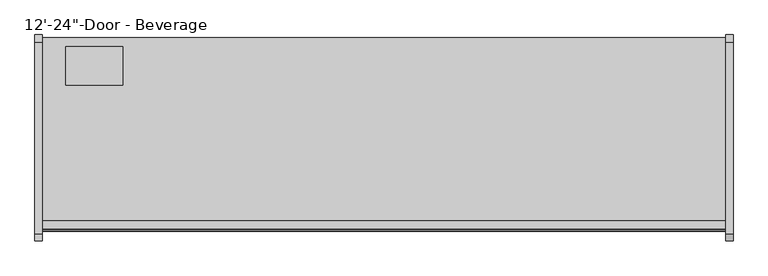
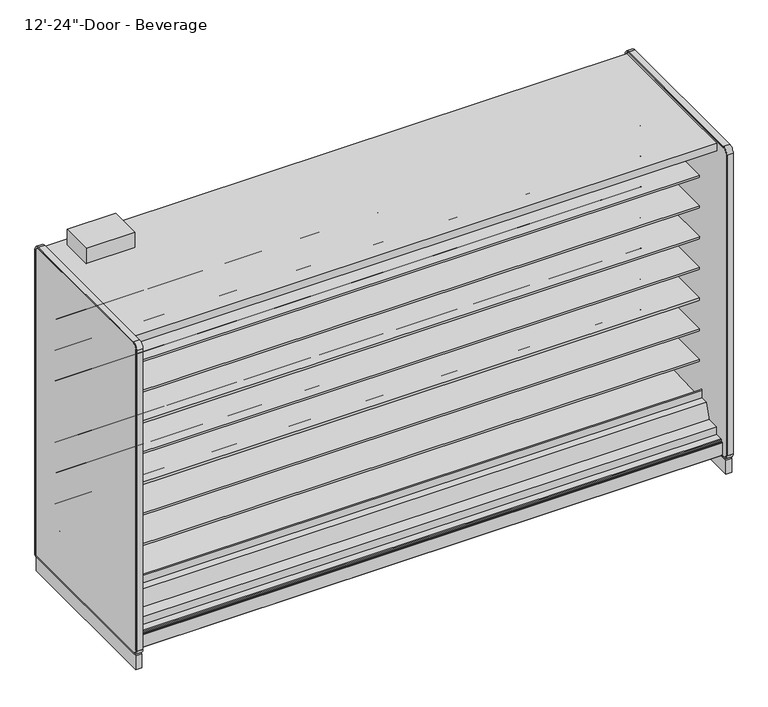
"""IFC4 building model written with IfcOpenShell, lengths in millimetres: proxy geometry."""

from ifc_helpers import new_model, si_unit, point, frame, frame_2d, origin, origin_with_axes, place, context, project, spatial, polyline, circle_curve, trimmed, segment, composite_curve, outline, extrude, source, transform, mapped, element, save
from ifc_brep_helpers import plane_surface, cylinder_surface, revolved_surface, advanced_brep


def proxy_10bc0063(model_context):
    return source(origin(), model_context, "Body", "SolidModel", [
        extrude(outline(composite_curve([segment(polyline([(-454.7591365, 587.0133455), (-454.7591365, 512.2441036), (-474.271416, 511.9123192)]), True, "CONTINUOUS"), segment(trimmed(circle_curve(frame_2d((-474.703252, 537.308648)), 25.4), [point((-474.271416, 511.9123192))], [point((-490.6806083, 517.5631653))], False, "CARTESIAN"), True, "CONTINUOUS"), segment(polyline([(-490.6806083, 517.5631653), (-508.5326694, 532.0084308)]), True, "CONTINUOUS"), segment(trimmed(circle_curve(frame_2d((-548.4760601, 482.6447241)), 63.5), [point((-508.5326694, 532.0084308))], [point((-540.5781788, 545.651656))], True, "CARTESIAN"), True, "CONTINUOUS"), segment(polyline([(-540.5781788, 545.651656), (-882.0268465, 569.3487934), (-883.515623, 572.7893455), (-1140.5591365, 572.7893455), (-1140.5591365, 587.0133455), (-454.7591365, 587.0133455)]), True, "CONTINUOUS")], self_intersect=False)), frame((0.0, 0.0, 0.0), z_axis=(1.0, 0.0, 0.0), x_axis=(0.0, 1.0, 0.0)), (0.0, 0.0, 1.0), 3657.6),
        extrude(outline(composite_curve([segment(polyline([(-454.7591365, 790.2133624), (-454.7591365, 715.4441204), (-474.271416, 715.112336)]), True, "CONTINUOUS"), segment(trimmed(circle_curve(frame_2d((-474.703252, 740.5086648)), 25.4), [point((-474.271416, 715.112336))], [point((-490.6806083, 720.7631821))], False, "CARTESIAN"), True, "CONTINUOUS"), segment(polyline([(-490.6806083, 720.7631821), (-508.5326694, 735.2084477)]), True, "CONTINUOUS"), segment(trimmed(circle_curve(frame_2d((-548.4760601, 685.8447409)), 63.5), [point((-508.5326694, 735.2084477))], [point((-540.5781788, 748.8516729))], True, "CARTESIAN"), True, "CONTINUOUS"), segment(polyline([(-540.5781788, 748.8516729), (-882.0268465, 772.5488103), (-883.515623, 775.9893624), (-1140.5591365, 775.9893624), (-1140.5591365, 790.2133624), (-454.7591365, 790.2133624)]), True, "CONTINUOUS")], self_intersect=False)), frame((0.0, 0.0, 0.0), z_axis=(1.0, 0.0, 0.0), x_axis=(0.0, 1.0, 0.0)), (0.0, 0.0, 1.0), 3657.6),
        extrude(outline(composite_curve([segment(polyline([(-454.7591365, 993.4133793), (-454.7591365, 918.6441373), (-474.271416, 918.3123529)]), True, "CONTINUOUS"), segment(trimmed(circle_curve(frame_2d((-474.703252, 943.7086817)), 25.4), [point((-474.271416, 918.3123529))], [point((-490.6806083, 923.963199))], False, "CARTESIAN"), True, "CONTINUOUS"), segment(polyline([(-490.6806083, 923.963199), (-508.5326694, 938.4084646)]), True, "CONTINUOUS"), segment(trimmed(circle_curve(frame_2d((-548.4760601, 889.0447578)), 63.5), [point((-508.5326694, 938.4084646))], [point((-540.5781788, 952.0516897))], True, "CARTESIAN"), True, "CONTINUOUS"), segment(polyline([(-540.5781788, 952.0516897), (-882.0268465, 975.7488272), (-883.515623, 979.1893793), (-1140.5591365, 979.1893793), (-1140.5591365, 993.4133793), (-454.7591365, 993.4133793)]), True, "CONTINUOUS")], self_intersect=False)), frame((0.0, 0.0, 0.0), z_axis=(1.0, 0.0, 0.0), x_axis=(0.0, 1.0, 0.0)), (0.0, 0.0, 1.0), 3657.6),
        extrude(outline(composite_curve([segment(polyline([(-454.7591365, 1196.6133961), (-454.7591365, 1121.8441542), (-474.271416, 1121.5123698)]), True, "CONTINUOUS"), segment(trimmed(circle_curve(frame_2d((-474.703252, 1146.9086986)), 25.4), [point((-474.271416, 1121.5123698))], [point((-490.6806083, 1127.1632159))], False, "CARTESIAN"), True, "CONTINUOUS"), segment(polyline([(-490.6806083, 1127.1632159), (-508.5326694, 1141.6084814)]), True, "CONTINUOUS"), segment(trimmed(circle_curve(frame_2d((-548.4760601, 1092.2447747)), 63.5), [point((-508.5326694, 1141.6084814))], [point((-540.5781788, 1155.2517066))], True, "CARTESIAN"), True, "CONTINUOUS"), segment(polyline([(-540.5781788, 1155.2517066), (-882.0268465, 1178.948844), (-883.515623, 1182.3893961), (-1140.5591365, 1182.3893961), (-1140.5591365, 1196.6133961), (-454.7591365, 1196.6133961)]), True, "CONTINUOUS")], self_intersect=False)), frame((0.0, 0.0, 0.0), z_axis=(1.0, 0.0, 0.0), x_axis=(0.0, 1.0, 0.0)), (0.0, 0.0, 1.0), 3657.6),
        extrude(outline(composite_curve([segment(polyline([(-454.7591365, 1399.813413), (-454.7591365, 1325.044171), (-474.271416, 1324.7123866)]), True, "CONTINUOUS"), segment(trimmed(circle_curve(frame_2d((-474.703252, 1350.1087155)), 25.4), [point((-474.271416, 1324.7123866))], [point((-490.6806083, 1330.3632328))], False, "CARTESIAN"), True, "CONTINUOUS"), segment(polyline([(-490.6806083, 1330.3632328), (-508.5326694, 1344.8084983)]), True, "CONTINUOUS"), segment(trimmed(circle_curve(frame_2d((-548.4760601, 1295.4447915)), 63.5), [point((-508.5326694, 1344.8084983))], [point((-540.5781788, 1358.4517235))], True, "CARTESIAN"), True, "CONTINUOUS"), segment(polyline([(-540.5781788, 1358.4517235), (-882.0268465, 1382.1488609), (-883.515623, 1385.589413), (-1140.5591365, 1385.589413), (-1140.5591365, 1399.813413), (-454.7591365, 1399.813413)]), True, "CONTINUOUS")], self_intersect=False)), frame((0.0, 0.0, 0.0), z_axis=(1.0, 0.0, 0.0), x_axis=(0.0, 1.0, 0.0)), (0.0, 0.0, 1.0), 3657.6),
        extrude(outline(composite_curve([segment(polyline([(-454.7591365, 1603.0134299), (-454.7591365, 1528.2441879), (-474.271416, 1527.9124035)]), True, "CONTINUOUS"), segment(trimmed(circle_curve(frame_2d((-474.703252, 1553.3087323)), 25.4), [point((-474.271416, 1527.9124035))], [point((-490.6806083, 1533.5632496))], False, "CARTESIAN"), True, "CONTINUOUS"), segment(polyline([(-490.6806083, 1533.5632496), (-508.5326694, 1548.0085152)]), True, "CONTINUOUS"), segment(trimmed(circle_curve(frame_2d((-548.4760601, 1498.6448084)), 63.5), [point((-508.5326694, 1548.0085152))], [point((-540.5781788, 1561.6517403))], True, "CARTESIAN"), True, "CONTINUOUS"), segment(polyline([(-540.5781788, 1561.6517403), (-882.0268465, 1585.3488778), (-883.515623, 1588.7894299), (-1140.5591365, 1588.7894299), (-1140.5591365, 1603.0134299), (-454.7591365, 1603.0134299)]), True, "CONTINUOUS")], self_intersect=False)), frame((0.0, 0.0, 0.0), z_axis=(1.0, 0.0, 0.0), x_axis=(0.0, 1.0, 0.0)), (0.0, 0.0, 1.0), 3657.6),
        extrude(outline(composite_curve([segment(polyline([(-454.7591365, 1806.2134975), (-454.7591365, 1731.4442556), (-474.271416, 1731.1124712)]), True, "CONTINUOUS"), segment(trimmed(circle_curve(frame_2d((-474.703252, 1756.5088)), 25.4), [point((-474.271416, 1731.1124712))], [point((-490.6806083, 1736.7633173))], False, "CARTESIAN"), True, "CONTINUOUS"), segment(polyline([(-490.6806083, 1736.7633173), (-508.5326694, 1751.2085828)]), True, "CONTINUOUS"), segment(trimmed(circle_curve(frame_2d((-548.4760601, 1701.8448761)), 63.5), [point((-508.5326694, 1751.2085828))], [point((-540.5781788, 1764.851808))], True, "CARTESIAN"), True, "CONTINUOUS"), segment(polyline([(-540.5781788, 1764.851808), (-882.0268465, 1788.5489454), (-883.515623, 1791.9894975), (-1140.5591365, 1791.9894975), (-1140.5591365, 1806.2134975), (-454.7591365, 1806.2134975)]), True, "CONTINUOUS")], self_intersect=False)), frame((0.0, 0.0, 0.0), z_axis=(1.0, 0.0, 0.0), x_axis=(0.0, 1.0, 0.0)), (0.0, 0.0, 1.0), 3657.6),
        extrude(outline(polyline([(0.0, -1311.974344), (0.0, -1337.374344), (-2.5796875, -1337.374344), (-2.5796875, -1311.974344), (0.0, -1311.974344)])), frame((0.0, 0.0, 252.8737805), z_axis=(0.0, 0.0, 1.0), x_axis=(1.0, 0.0, 0.0)), (0.0, 0.0, 1.0), 1827.8179128),
        extrude(outline(composite_curve([segment(trimmed(circle_curve(frame_2d((234.95, 3579.6737514)), 12.7), [point((247.65, 3579.6737514))], [point((222.25, 3579.6737514))], False, "CARTESIAN"), True, "CONTINUOUS"), segment(trimmed(circle_curve(frame_2d((234.95, 3579.6737514)), 12.7), [point((222.25, 3579.6737514))], [point((247.65, 3579.6737514))], False, "CARTESIAN"), True, "CONTINUOUS")], self_intersect=False)), frame((0.0, -399.5252577, 0.0), z_axis=(0.0, 1.0, 0.0), x_axis=(0.0, 0.0, 1.0)), (0.0, 0.0, 1.0), 50.5181304),
        extrude(outline(composite_curve([segment(trimmed(circle_curve(frame_2d((234.95, 3533.6472509)), 9.525), [point((244.475, 3533.6472509))], [point((225.425, 3533.6472509))], False, "CARTESIAN"), True, "CONTINUOUS"), segment(trimmed(circle_curve(frame_2d((234.95, 3533.6472509)), 9.525), [point((225.425, 3533.6472509))], [point((244.475, 3533.6472509))], False, "CARTESIAN"), True, "CONTINUOUS")], self_intersect=False)), frame((0.0, -399.5252577, 0.0), z_axis=(0.0, 1.0, 0.0), x_axis=(0.0, 0.0, 1.0)), (0.0, 0.0, 1.0), 50.5181304),
        advanced_brep(
        [(3657.6, -349.0071273, 104.775), (3657.6, -349.0071273, 2130.425), (3657.6, -1329.436844, 2130.425), (3657.6, -1329.436844, 2080.6916932), (3657.6, -403.9576348, 2080.6916932), (3657.6, -403.9576348, 191.9712577), (3657.6, -1233.6520806, 158.2443144), (3657.6, -1324.5178752, 168.8736205), (3657.6, -1324.5178752, 201.2766923), (3657.6, -1373.7502971, 201.2766923), (3657.6, -1376.4137132, 197.8095897), (3657.6, -1376.4137132, 188.9614574), (3657.6, -1385.2191773, 188.9614574), (3657.6, -1386.7939773, 187.3866574), (3657.6, -1386.7939773, 185.7356574), (3657.6, -1387.6575773, 185.7356574), (3657.6, -1387.6575773, 101.7483517), (3657.6, -1384.5102631, 101.0506089), (3657.6, -1382.7735511, 104.775), (0.0, -349.0071273, 104.775), (0.0, -1382.7735511, 104.775), (0.0, -1384.5102631, 101.0506089), (0.0, -1387.6575773, 101.7483517), (0.0, -1387.6575773, 185.7356574), (0.0, -1386.7939773, 185.7356574), (0.0, -1386.7939773, 187.3866574), (0.0, -1385.2191773, 188.9614574), (0.0, -1376.4137132, 188.9614574), (0.0, -1376.4137132, 197.8095897), (0.0, -1373.7502971, 201.2766923), (0.0, -1324.5178752, 201.2766923), (0.0, -1324.5178752, 168.8736205), (0.0, -1233.6520806, 158.2443144), (0.0, -403.9576348, 191.9712577), (0.0, -403.9576348, 2080.6916932), (0.0, -1329.436844, 2080.6916932), (0.0, -1329.436844, 2130.425), (0.0, -349.0071273, 2130.425), (3556.0, -349.0071273, 184.15), (3556.0, -349.0071273, 285.75), (3556.0, -399.5252577, 184.15), (3556.0, -399.5252577, 285.75)],
        [
            (0, 1),
            (1, 2),
            (2, 3),
            (3, 4),
            (4, 5),
            (5, 6),
            (6, 7),
            (7, 8),
            (8, 9),
            (9, 10, circle_curve(frame((3657.6, -1372.3299277, 197.4290047), z_axis=(1.0, 0.0, 0.0), x_axis=(0.0, 1.0, 0.0)), 4.1014814)),
            (10, 11),
            (11, 12),
            (12, 13, circle_curve(frame((3657.6, -1385.2191773, 187.3866574), z_axis=(1.0, 0.0, 0.0), x_axis=(0.0, 1.0, 0.0)), 1.5748)),
            (13, 14),
            (14, 15),
            (15, 16),
            (16, 17, circle_curve(frame((3657.6, -1386.0065773, 101.7483517), z_axis=(1.0, 0.0, 0.0), x_axis=(0.0, 1.0, 0.0)), 1.651)),
            (17, 18),
            (18, 0),
            (19, 20),
            (20, 21),
            (21, 22, circle_curve(frame((0.0, -1386.0065773, 101.7483517), z_axis=(-1.0, 0.0, 0.0), x_axis=(0.0, 1.0, 0.0)), 1.651)),
            (22, 23),
            (23, 24),
            (24, 25),
            (25, 26, circle_curve(frame((0.0, -1385.2191773, 187.3866574), z_axis=(-1.0, 0.0, 0.0), x_axis=(0.0, 1.0, 0.0)), 1.5748)),
            (26, 27),
            (27, 28),
            (28, 29, circle_curve(frame((0.0, -1372.3299277, 197.4290047), z_axis=(-1.0, 0.0, 0.0), x_axis=(0.0, 1.0, 0.0)), 4.1014814)),
            (29, 30),
            (30, 31),
            (31, 32),
            (32, 33),
            (33, 34),
            (34, 35),
            (35, 36),
            (36, 37),
            (37, 19),
            (0, 19),
            (37, 1),
            (38, 39, circle_curve(frame((3556.0, -349.0071273, 234.95), z_axis=(0.0, -1.0, 0.0), x_axis=(0.0, 0.0, 1.0)), 50.8)),
            (39, 38, circle_curve(frame((3556.0, -349.0071273, 234.95), z_axis=(0.0, -1.0, 0.0), x_axis=(0.0, 0.0, 1.0)), 50.8)),
            (18, 20),
            (36, 2),
            (35, 3),
            (34, 4),
            (33, 5),
            (32, 6),
            (31, 7),
            (30, 8),
            (29, 9),
            (28, 10),
            (27, 11),
            (26, 12),
            (25, 13),
            (24, 14),
            (23, 15),
            (22, 16),
            (21, 17),
            (40, 41, circle_curve(frame((3556.0, -399.5252577, 234.95), z_axis=(0.0, 1.0, 0.0), x_axis=(0.0, 0.0, 1.0)), 50.8)),
            (41, 40, circle_curve(frame((3556.0, -399.5252577, 234.95), z_axis=(0.0, 1.0, 0.0), x_axis=(0.0, 0.0, 1.0)), 50.8)),
            (41, 39),
            (38, 40),
        ],
        [
            plane_surface(frame((3657.6, -349.0071273, 2132.8596217), z_axis=(1.0, 0.0, 0.0), x_axis=(0.0, 0.0, 1.0))),
            plane_surface(frame((0.0, -349.0071273, 2132.8596217), z_axis=(-1.0, 0.0, 0.0), x_axis=(0.0, 0.0, -1.0))),
            plane_surface(frame((3657.6, -349.0071273, 104.775), z_axis=(0.0, 1.0, 0.0), x_axis=(-1.0, 0.0, 0.0))),
            plane_surface(frame((3657.6, -1382.7735511, 104.775), z_axis=(0.0, 0.0, -1.0), x_axis=(-1.0, 0.0, 0.0))),
            plane_surface(frame((3657.6, -349.0071273, 2130.425), z_axis=(0.0, 0.0, 1.0), x_axis=(-1.0, 0.0, 0.0))),
            plane_surface(frame((3657.6, -1329.436844, 2130.425), z_axis=(0.0, -1.0, 0.0), x_axis=(-1.0, 0.0, 0.0))),
            plane_surface(frame((3657.6, -1329.436844, 2080.6916932), z_axis=(0.0, 0.0, -1.0), x_axis=(-1.0, 0.0, 0.0))),
            plane_surface(frame((3657.6, -403.9576348, 2080.6916932), z_axis=(0.0, -1.0, 0.0), x_axis=(-1.0, 0.0, 0.0))),
            plane_surface(frame((3657.6, -403.9576348, 191.9712577), z_axis=(0.0, -0.04061629258568852, 0.999174817925569), x_axis=(-1.0, 0.0, 0.0))),
            plane_surface(frame((3657.6, -1233.6520806, 158.2443144), z_axis=(0.0, 0.11618584341211524, 0.9932274914593411), x_axis=(-1.0, 0.0, 0.0))),
            plane_surface(frame((3657.6, -1324.5178752, 168.8736205), z_axis=(0.0, 1.0, 0.0), x_axis=(-1.0, 0.0, 0.0))),
            plane_surface(frame((3657.6, -1324.5178752, 201.2766923), z_axis=(0.0, 0.0, 1.0), x_axis=(-1.0, 0.0, 0.0))),
            cylinder_surface(frame((0.0, -1372.3299277, 197.4290047), z_axis=(1.0, 0.0, 0.0), x_axis=(0.0, 1.0, 0.0)), 4.1014814),
            plane_surface(frame((3657.6, -1376.4137132, 197.8095897), z_axis=(0.0, -1.0, 0.0), x_axis=(-1.0, 0.0, 0.0))),
            plane_surface(frame((3657.6, -1376.4137132, 188.9614574), z_axis=(0.0, 0.0, 1.0), x_axis=(-1.0, 0.0, 0.0))),
            cylinder_surface(frame((0.0, -1385.2191773, 187.3866574), z_axis=(1.0, 0.0, 0.0), x_axis=(0.0, 1.0, 0.0)), 1.5748),
            plane_surface(frame((3657.6, -1386.7939773, 187.3866574), z_axis=(0.0, -1.0, 0.0), x_axis=(-1.0, 0.0, 0.0))),
            plane_surface(frame((3657.6, -1386.7939773, 185.7356574), z_axis=(0.0, 0.0, 1.0), x_axis=(-1.0, 0.0, 0.0))),
            plane_surface(frame((3657.6, -1387.6575773, 185.7356574), z_axis=(0.0, -1.0, 0.0), x_axis=(-1.0, 0.0, 0.0))),
            cylinder_surface(frame((0.0, -1386.0065773, 101.7483517), z_axis=(1.0, 0.0, 0.0), x_axis=(0.0, 1.0, 0.0)), 1.651),
            plane_surface(frame((3657.6, -1384.5102631, 101.0506089), z_axis=(0.0, 0.9063077870366392, -0.4226182617407228), x_axis=(-1.0, 0.0, 0.0))),
            plane_surface(frame((3556.0, -399.5252577, 285.75), z_axis=(0.0, 1.0, 0.0), x_axis=(-1.0, 0.0, 0.0))),
            revolved_surface(polyline([(3556.0, -399.5252577, 285.75), (3556.0, -349.0071273, 285.75)]), (3556.0, -349.0071273, 234.95), (0.0, -1.0, 0.0)),
        ],
        [
            (0, [[1, 2, 3, 4, 5, 6, 7, 8, 9, 10, 11, 12, 13, 14, 15, 16, 17, 18, 19]]),
            (1, [[20, 21, 22, 23, 24, 25, 26, 27, 28, 29, 30, 31, 32, 33, 34, 35, 36, 37, 38]]),
            (2, [[-1, 39, -38, 40], [41, 42]]),
            (3, [[-19, 43, -20, -39]]),
            (4, [[-2, -40, -37, 44]]),
            (5, [[-3, -44, -36, 45]]),
            (6, [[-4, -45, -35, 46]]),
            (7, [[-5, -46, -34, 47]]),
            (8, [[-6, -47, -33, 48]]),
            (9, [[-7, -48, -32, 49]]),
            (10, [[-8, -49, -31, 50]]),
            (11, [[-9, -50, -30, 51]]),
            (12, [[-10, -51, -29, 52]]),
            (13, [[-11, -52, -28, 53]]),
            (14, [[-12, -53, -27, 54]]),
            (15, [[-13, -54, -26, 55]]),
            (16, [[-14, -55, -25, 56]]),
            (17, [[-15, -56, -24, 57]]),
            (18, [[-16, -57, -23, 58]]),
            (19, [[-17, -58, -22, 59]]),
            (20, [[-18, -59, -21, -43]]),
            (21, [[60, 61]]),
            (22, [[-61, 62, -41, 63]]),
            (22, [[-60, -63, -42, -62]]),
        ],
    ),
        extrude(outline(composite_curve([segment(polyline([(-538.5972303, 351.4802626), (-1154.388777, 327.2645134)]), True, "CONTINUOUS"), segment(trimmed(circle_curve(frame_2d((-1154.8189466, 338.2034585)), 10.9474), [point((-1154.388777, 327.2645134))], [point((-1165.7578917, 337.773289))], False, "CARTESIAN"), True, "CONTINUOUS"), segment(polyline([(-1165.7578917, 337.773289), (-1168.1692364, 399.0922948)]), True, "CONTINUOUS"), segment(trimmed(circle_curve(frame_2d((-1164.2860378, 399.245)), 3.8862), [point((-1168.1692364, 399.0922948))], [point((-1160.4028391, 399.3977051))], False, "CARTESIAN"), True, "CONTINUOUS"), segment(polyline([(-1160.4028391, 399.3977051), (-1157.9914945, 338.0786994)]), True, "CONTINUOUS"), segment(trimmed(circle_curve(frame_2d((-1154.8189466, 338.2034585)), 3.175), [point((-1157.9914945, 338.0786994))], [point((-1154.6941874, 335.0309106))], True, "CARTESIAN"), True, "CONTINUOUS"), segment(polyline([(-1154.6941874, 335.0309106), (-531.8538504, 359.5238507)]), True, "CONTINUOUS"), segment(trimmed(circle_curve(frame_2d((-531.6974468, 355.6351883)), 3.8918064), [point((-531.8538504, 359.5238507))], [point((-531.2499972, 351.7691895))], False, "CARTESIAN"), True, "CONTINUOUS"), segment(polyline([(-531.2499972, 351.7691895), (-538.5972303, 351.4802626)]), True, "CONTINUOUS")], self_intersect=False)), frame((0.0, 0.0, 0.0), z_axis=(1.0, 0.0, 0.0), x_axis=(0.0, 1.0, 0.0)), (0.0, 0.0, 1.0), 3657.6),
        extrude(outline(polyline([(-403.9576348, 191.9712577), (-1233.6520806, 158.2443144), (-1324.5178752, 168.8736205), (-1324.5178752, 252.8737805), (-1245.7743426, 252.8737805), (-1214.6387574, 346.8534577), (-1169.1341365, 348.4440826), (-1169.1341365, 325.727789), (-525.3143623, 351.8989573), (-525.3143623, 370.9489573), (-468.1992452, 372.9454299), (-468.1992452, 376.1204299), (-454.7591365, 376.1204299), (-454.7591365, 268.1711844), (-403.9576348, 268.1711844), (-403.9576348, 191.9712577)])), frame((0.0, 0.0, 0.0), z_axis=(1.0, 0.0, 0.0), x_axis=(0.0, 1.0, 0.0)), (0.0, 0.0, 1.0), 3657.6),
        extrude(outline(polyline([(-403.9576348, 268.1711844), (-454.7591365, 268.1711844), (-454.7591365, 2052.6003941), (-1174.1318532, 2052.6003941), (-1284.0733806, 2079.0595231), (-1284.0733806, 2080.6916932), (-403.9576348, 2080.6916932), (-403.9576348, 268.1711844)])), frame((0.0, 0.0, 0.0), z_axis=(1.0, 0.0, 0.0), x_axis=(0.0, 1.0, 0.0)), (0.0, 0.0, 1.0), 3657.6),
        extrude(outline(composite_curve([segment(trimmed(circle_curve(frame_2d((1828.8, -1072.9071273)), 38.1), [point((1790.7, -1072.9071273))], [point((1866.9, -1072.9071273))], False, "CARTESIAN"), True, "CONTINUOUS"), segment(trimmed(circle_curve(frame_2d((1828.8, -1072.9071273)), 38.1), [point((1866.9, -1072.9071273))], [point((1790.7, -1072.9071273))], False, "CARTESIAN"), True, "CONTINUOUS")], self_intersect=False)), frame((0.0, 0.0, -5.8513653), z_axis=(0.0, 0.0, 1.0), x_axis=(1.0, 0.0, 0.0)), (0.0, 0.0, 1.0), 110.6263653),
        extrude(outline(composite_curve([segment(trimmed(circle_curve(frame_2d((3410.8604036, -1069.7321273)), 9.525), [point((3401.3354036, -1069.7321273))], [point((3420.3854036, -1069.7321273))], False, "CARTESIAN"), True, "CONTINUOUS"), segment(trimmed(circle_curve(frame_2d((3410.8604036, -1069.7321273)), 9.525), [point((3420.3854036, -1069.7321273))], [point((3401.3354036, -1069.7321273))], False, "CARTESIAN"), True, "CONTINUOUS")], self_intersect=False)), frame((0.0, 0.0, -5.8513653), z_axis=(0.0, 0.0, 1.0), x_axis=(1.0, 0.0, 0.0)), (0.0, 0.0, 1.0), 110.6263653),
        extrude(outline(composite_curve([segment(trimmed(circle_curve(frame_2d((3455.7868135, -1069.7321273)), 12.7), [point((3443.0868135, -1069.7321273))], [point((3468.4868135, -1069.7321273))], False, "CARTESIAN"), True, "CONTINUOUS"), segment(trimmed(circle_curve(frame_2d((3455.7868135, -1069.7321273)), 12.7), [point((3468.4868135, -1069.7321273))], [point((3443.0868135, -1069.7321273))], False, "CARTESIAN"), True, "CONTINUOUS")], self_intersect=False)), frame((0.0, 0.0, -5.8513653), z_axis=(0.0, 0.0, 1.0), x_axis=(1.0, 0.0, 0.0)), (0.0, 0.0, 1.0), 110.6263653),
        extrude(outline(polyline([(127.0, -603.0071273), (127.0, -397.0385273), (431.8, -397.0385273), (431.8, -603.0071273), (127.0, -603.0071273)])), frame((0.0, 0.0, 2130.425), z_axis=(0.0, 0.0, 1.0), x_axis=(1.0, 0.0, 0.0)), (0.0, 0.0, 1.0), 101.6),
        extrude(outline(composite_curve([segment(polyline([(-1399.9321273, 2155.825), (-372.4698732, 2155.825)]), True, "CONTINUOUS"), segment(trimmed(circle_curve(frame_2d((-372.4698732, 2117.725)), 38.1), [point((-372.4698732, 2155.825))], [point((-334.3698732, 2117.725))], False, "CARTESIAN"), True, "CONTINUOUS"), segment(polyline([(-334.3698732, 2117.725), (-334.3698732, 104.7405759)]), True, "CONTINUOUS"), segment(trimmed(circle_curve(frame_2d((-347.0698732, 104.7405759)), 12.7), [point((-334.3698732, 104.7405759))], [point((-347.0698732, 92.0405759))], False, "CARTESIAN"), True, "CONTINUOUS"), segment(polyline([(-347.0698732, 92.0405759), (-1399.9321273, 92.0405759)]), True, "CONTINUOUS"), segment(trimmed(circle_curve(frame_2d((-1399.9321273, 130.1405759)), 38.1), [point((-1399.9321273, 92.0405759))], [point((-1438.0321273, 130.1405759))], False, "CARTESIAN"), True, "CONTINUOUS"), segment(polyline([(-1438.0321273, 130.1405759), (-1438.0321273, 2117.725)]), True, "CONTINUOUS"), segment(trimmed(circle_curve(frame_2d((-1399.9321273, 2117.725)), 38.1), [point((-1438.0321273, 2117.725))], [point((-1399.9321273, 2155.825))], False, "CARTESIAN"), True, "CONTINUOUS")], self_intersect=False), holes=[composite_curve([segment(polyline([(-1399.9321273, 101.5655759), (-347.0698732, 101.5655759)]), True, "CONTINUOUS"), segment(trimmed(circle_curve(frame_2d((-347.0698732, 104.7405759)), 3.175), [point((-347.0698732, 101.5655759))], [point((-343.8948732, 104.7405759))], True, "CARTESIAN"), True, "CONTINUOUS"), segment(polyline([(-343.8948732, 104.7405759), (-343.8948732, 2117.725)]), True, "CONTINUOUS"), segment(trimmed(circle_curve(frame_2d((-372.4698732, 2117.725)), 28.575), [point((-343.8948732, 2117.725))], [point((-372.4698732, 2146.3))], True, "CARTESIAN"), True, "CONTINUOUS"), segment(polyline([(-372.4698732, 2146.3), (-1399.9321273, 2146.3)]), True, "CONTINUOUS"), segment(trimmed(circle_curve(frame_2d((-1399.9321273, 2117.725)), 28.575), [point((-1399.9321273, 2146.3))], [point((-1428.5071273, 2117.725))], True, "CARTESIAN"), True, "CONTINUOUS"), segment(polyline([(-1428.5071273, 2117.725), (-1428.5071273, 130.1405759)]), True, "CONTINUOUS"), segment(trimmed(circle_curve(frame_2d((-1399.9321273, 130.1405759)), 28.575), [point((-1428.5071273, 130.1405759))], [point((-1399.9321273, 101.5655759))], True, "CARTESIAN"), True, "CONTINUOUS")], self_intersect=False)]), frame((-38.1, 0.0, 0.0), z_axis=(1.0, 0.0, 0.0), x_axis=(0.0, 1.0, 0.0)), (0.0, 0.0, 1.0), 38.1),
        extrude(outline(composite_curve([segment(polyline([(-1399.9321273, 2146.3), (-372.4698732, 2146.3)]), True, "CONTINUOUS"), segment(trimmed(circle_curve(frame_2d((-372.4698732, 2117.725)), 28.575), [point((-372.4698732, 2146.3))], [point((-343.8948732, 2117.725))], False, "CARTESIAN"), True, "CONTINUOUS"), segment(polyline([(-343.8948732, 2117.725), (-343.8948732, 104.7405759)]), True, "CONTINUOUS"), segment(trimmed(circle_curve(frame_2d((-347.0698732, 104.7405759)), 3.175), [point((-343.8948732, 104.7405759))], [point((-347.0698732, 101.5655759))], False, "CARTESIAN"), True, "CONTINUOUS"), segment(polyline([(-347.0698732, 101.5655759), (-1399.9321273, 101.5655759)]), True, "CONTINUOUS"), segment(trimmed(circle_curve(frame_2d((-1399.9321273, 130.1405759)), 28.575), [point((-1399.9321273, 101.5655759))], [point((-1428.5071273, 130.1405759))], False, "CARTESIAN"), True, "CONTINUOUS"), segment(polyline([(-1428.5071273, 130.1405759), (-1428.5071273, 2117.725)]), True, "CONTINUOUS"), segment(trimmed(circle_curve(frame_2d((-1399.9321273, 2117.725)), 28.575), [point((-1428.5071273, 2117.725))], [point((-1399.9321273, 2146.3))], False, "CARTESIAN"), True, "CONTINUOUS")], self_intersect=False)), frame((-38.1, 0.0, 0.0), z_axis=(1.0, 0.0, 0.0), x_axis=(0.0, 1.0, 0.0)), (0.0, 0.0, 1.0), 38.1),
        extrude(outline(composite_curve([segment(polyline([(-1399.9321273, 2146.3), (-372.4698732, 2146.3)]), True, "CONTINUOUS"), segment(trimmed(circle_curve(frame_2d((-372.4698732, 2117.725)), 28.575), [point((-372.4698732, 2146.3))], [point((-343.8948732, 2117.725))], False, "CARTESIAN"), True, "CONTINUOUS"), segment(polyline([(-343.8948732, 2117.725), (-343.8948732, 104.7405759)]), True, "CONTINUOUS"), segment(trimmed(circle_curve(frame_2d((-347.0698732, 104.7405759)), 3.175), [point((-343.8948732, 104.7405759))], [point((-347.0698732, 101.5655759))], False, "CARTESIAN"), True, "CONTINUOUS"), segment(polyline([(-347.0698732, 101.5655759), (-1399.9321273, 101.5655759)]), True, "CONTINUOUS"), segment(trimmed(circle_curve(frame_2d((-1399.9321273, 130.1405759)), 28.575), [point((-1399.9321273, 101.5655759))], [point((-1428.5071273, 130.1405759))], False, "CARTESIAN"), True, "CONTINUOUS"), segment(polyline([(-1428.5071273, 130.1405759), (-1428.5071273, 2117.725)]), True, "CONTINUOUS"), segment(trimmed(circle_curve(frame_2d((-1399.9321273, 2117.725)), 28.575), [point((-1428.5071273, 2117.725))], [point((-1399.9321273, 2146.3))], False, "CARTESIAN"), True, "CONTINUOUS")], self_intersect=False)), frame((3657.6, 0.0, 0.0), z_axis=(1.0, 0.0, 0.0), x_axis=(0.0, 1.0, 0.0)), (0.0, 0.0, 1.0), 38.1),
        extrude(outline(composite_curve([segment(polyline([(-1399.9321273, 2155.825), (-372.4698732, 2155.825)]), True, "CONTINUOUS"), segment(trimmed(circle_curve(frame_2d((-372.4698732, 2117.725)), 38.1), [point((-372.4698732, 2155.825))], [point((-334.3698732, 2117.725))], False, "CARTESIAN"), True, "CONTINUOUS"), segment(polyline([(-334.3698732, 2117.725), (-334.3698732, 104.7405759)]), True, "CONTINUOUS"), segment(trimmed(circle_curve(frame_2d((-347.0698732, 104.7405759)), 12.7), [point((-334.3698732, 104.7405759))], [point((-347.0698732, 92.0405759))], False, "CARTESIAN"), True, "CONTINUOUS"), segment(polyline([(-347.0698732, 92.0405759), (-1399.9321273, 92.0405759)]), True, "CONTINUOUS"), segment(trimmed(circle_curve(frame_2d((-1399.9321273, 130.1405759)), 38.1), [point((-1399.9321273, 92.0405759))], [point((-1438.0321273, 130.1405759))], False, "CARTESIAN"), True, "CONTINUOUS"), segment(polyline([(-1438.0321273, 130.1405759), (-1438.0321273, 2117.725)]), True, "CONTINUOUS"), segment(trimmed(circle_curve(frame_2d((-1399.9321273, 2117.725)), 38.1), [point((-1438.0321273, 2117.725))], [point((-1399.9321273, 2155.825))], False, "CARTESIAN"), True, "CONTINUOUS")], self_intersect=False), holes=[composite_curve([segment(polyline([(-1399.9321273, 101.5655759), (-347.0698732, 101.5655759)]), True, "CONTINUOUS"), segment(trimmed(circle_curve(frame_2d((-347.0698732, 104.7405759)), 3.175), [point((-347.0698732, 101.5655759))], [point((-343.8948732, 104.7405759))], True, "CARTESIAN"), True, "CONTINUOUS"), segment(polyline([(-343.8948732, 104.7405759), (-343.8948732, 2117.725)]), True, "CONTINUOUS"), segment(trimmed(circle_curve(frame_2d((-372.4698732, 2117.725)), 28.575), [point((-343.8948732, 2117.725))], [point((-372.4698732, 2146.3))], True, "CARTESIAN"), True, "CONTINUOUS"), segment(polyline([(-372.4698732, 2146.3), (-1399.9321273, 2146.3)]), True, "CONTINUOUS"), segment(trimmed(circle_curve(frame_2d((-1399.9321273, 2117.725)), 28.575), [point((-1399.9321273, 2146.3))], [point((-1428.5071273, 2117.725))], True, "CARTESIAN"), True, "CONTINUOUS"), segment(polyline([(-1428.5071273, 2117.725), (-1428.5071273, 130.1405759)]), True, "CONTINUOUS"), segment(trimmed(circle_curve(frame_2d((-1399.9321273, 130.1405759)), 28.575), [point((-1428.5071273, 130.1405759))], [point((-1399.9321273, 101.5655759))], True, "CARTESIAN"), True, "CONTINUOUS")], self_intersect=False)]), frame((3657.6, 0.0, 0.0), z_axis=(1.0, 0.0, 0.0), x_axis=(0.0, 1.0, 0.0)), (0.0, 0.0, 1.0), 38.1),
        extrude(outline(polyline([(3695.7, -349.0071273), (3695.7, -1425.3321273), (3657.6, -1425.3321273), (3657.6, -349.0071273), (3695.7, -349.0071273)])), origin_with_axes(), (0.0, 0.0, 1.0), 92.075),
        extrude(outline(polyline([(0.0, -346.2385273), (0.0, -1425.3321273), (-38.1, -1425.3321273), (-38.1, -346.2385273), (0.0, -346.2385273)])), origin_with_axes(), (0.0, 0.0, 1.0), 92.075),
    ])


if __name__ == "__main__":
    model = new_model("IFC4")
    model_context = context("Model", 3, world=origin())
    ifc_project = project(units=[si_unit("LENGTHUNIT", "METRE", prefix="MILLI")], contexts=[model_context])
    site = spatial("IfcSite", under=ifc_project)
    building = spatial("IfcBuilding", under=site)
    placement = place(None, origin())
    proxy_shape = proxy_10bc0063(model_context)
    element("IfcBuildingElementProxy", 1, Name="12'-24\"-Door - Beverage", ObjectType="12'-24\"-Door - Beverage", at=placement, inside=building, context=model_context, shape_type="MappedRepresentation", body=[
        mapped(proxy_shape, transform((0.0, 0.0, 0.0), x_axis=(1.0, 0.0, 0.0), y_axis=(0.0, 1.0, 0.0), z_axis=(0.0, 0.0, 1.0))),
    ])
    save(model, "model.ifc")
